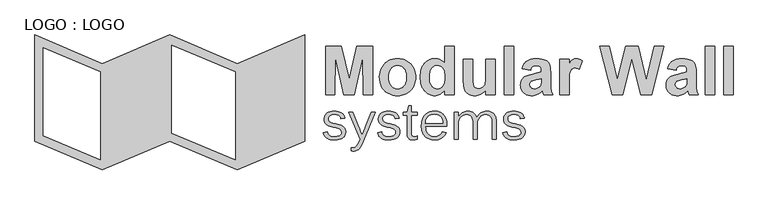
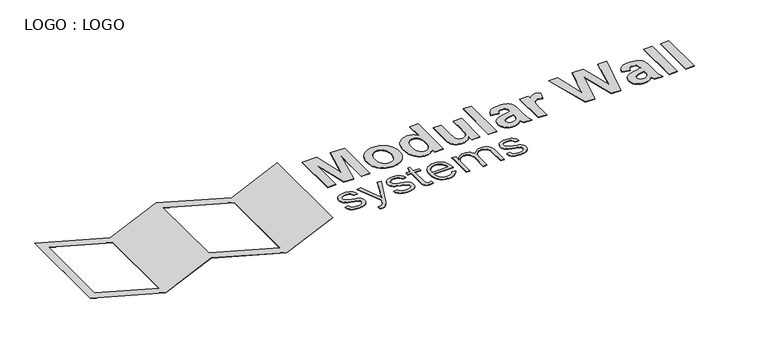
"""IFC4 building model written with IfcOpenShell, lengths in millimetres: proxy geometry, LOGO : LOGO."""

from ifc_helpers import new_model, si_unit, origin, origin_with_axes, place, context, project, spatial, polyline, outline, extrude, source, transform, mapped, element, save


def logo_logo_a6c27b1a(model_context):
    return source(origin(), model_context, "Body", "SweptSolid", [
        extrude(outline(polyline([(-10606.5366959, 2224.3330135), (-8106.5366959, 1163.145973), (-5606.5366959, 2224.3330135), (-3106.5366959, 1163.145973), (-606.5366959, 2224.3330135), (-606.5366959, -1723.1974276), (-3106.5366959, -2784.3844682), (-5606.5366959, -1723.1974276), (-8106.5366959, -2784.3844682), (-10606.5366959, -1723.1974276), (-10606.5366959, 2224.3330135)]), holes=[polyline([(-10290.7342606, 1747.20758), (-10290.7342606, -1514.1723555), (-8185.4873047, -2407.7966702), (-8185.4873047, 853.5832654), (-10290.7342606, 1747.20758)]), polyline([(-3185.4873047, -2407.7966702), (-3185.4873047, 853.5832654), (-5527.5860871, 1847.7452156), (-5527.5860871, -1413.63472), (-3185.4873047, -2407.7966702)])]), origin_with_axes(), (0.0, 0.0, 1.0), 10.0),
        extrude(outline(polyline([(10793.6666605, 0.0), (10340.5416605, 1800.0), (10692.3273748, 1800.0), (10983.3988034, 563.3928571), (11296.3452319, 1800.0), (11757.5059462, 1800.0), (12069.1130891, 542.8571429), (12360.1845176, 1800.0), (12711.9702319, 1800.0), (12265.5416605, 0.0), (11859.7380891, 0.0), (11526.2559462, 1345.5357143), (11186.0773748, 0.0), (10793.6666605, 0.0)])), origin_with_axes(), (0.0, 0.0, 1.0), 20.0),
        extrude(outline(polyline([(13169.1130891, 914.2857143), (12854.8273748, 971.4285714), (12884.361415, 1059.9330357), (12902.5289652, 1099.5814732), (12922.9635355, 1136.1607143), (12945.6651259, 1169.6707589), (12970.6337364, 1200.1116071), (12997.869367, 1227.4832589), (13027.3720176, 1251.7857143), (13059.8601594, 1273.1305804), (13096.0522632, 1291.6294643), (13135.948329, 1307.2823661), (13179.5483569, 1320.0892857), (13226.8523469, 1330.0502232), (13277.8602989, 1337.1651786), (13390.9880891, 1342.8571429), (13493.5829551, 1339.4112723), (13582.1711248, 1329.0736607), (13656.752598, 1311.844308), (13717.3273748, 1287.7232143), (13766.9367498, 1258.3147321), (13808.6220176, 1225.2232143), (13842.3831784, 1188.4486607), (13868.2202319, 1147.9910714), (13887.3608569, 1096.8331473), (13901.0327319, 1027.9575893), (13909.2358569, 941.3643973), (13911.9702319, 837.0535714), (13911.9702319, 431.6964286), (13916.4903212, 281.25), (13922.1404328, 223.1026786), (13930.0505891, 176.3392857), (13941.0578435, 134.5145089), (13955.9992498, 91.1830357), (13997.6845176, 0.0), (13654.8273748, 0.0), (13622.6845176, 108.9285714), (13610.6309462, 152.2321429), (13567.0204551, 109.9469866), (13521.9032676, 73.2700893), (13475.2793837, 42.2014509), (13427.1488034, 16.7410714), (13377.455723, -3.0831473), (13326.1443391, -17.2433036), (13273.2146516, -25.7393973), (13218.6666605, -28.5714286), (13171.0766772, -26.851981), (13126.0745846, -21.6936384), (13083.6603826, -13.0964007), (13043.8340712, -1.0602679), (13006.5956505, 14.41476), (12971.9451203, 33.328683), (12939.8824808, 55.6815011), (12910.4077319, 81.4732143), (12883.9882286, 109.8876953), (12861.0913257, 140.108817), (12841.7170232, 172.1365792), (12825.8653212, 205.9709821), (12813.5362197, 241.6120257), (12804.7297185, 279.0597098), (12799.4458179, 318.3140346), (12797.6845176, 359.375), (12800.8234685, 413.4486607), (12810.2403212, 464.5089286), (12825.9350757, 512.5558036), (12847.9077319, 557.5892857), (12875.5444507, 598.5770089), (12908.2313926, 634.4866071), (12945.9685578, 665.3180804), (12988.7559462, 691.0714286), (13039.0628659, 713.5323661), (13099.3586248, 734.4866071), (13169.643223, 753.9341518), (13249.9166605, 771.875), (13356.2503659, 794.2801339), (13444.8943391, 815.9598214), (13515.8485801, 836.9140625), (13569.1130891, 857.1428571), (13569.1130891, 893.3035714), (13566.4484685, 941.5736607), (13558.4546069, 982.3660714), (13545.1315043, 1015.6808036), (13526.4791605, 1041.5178571), (13500.4607453, 1060.8537946), (13465.0394284, 1074.6651786), (13420.2152096, 1082.9520089), (13365.9880891, 1085.7142857), (13328.236973, 1083.3426339), (13294.8943391, 1076.2276786), (13265.9601873, 1064.3694196), (13241.4345176, 1047.7678571), (13220.1733569, 1025.1953125), (13201.0327319, 995.4241071), (13184.0126426, 958.4542411), (13169.1130891, 914.2857143)]), holes=[polyline([(13569.1130891, 600.0), (13490.2068391, 578.0691964), (13375.8095176, 552.4553571), (13266.4345176, 525.1674107), (13228.8229105, 511.6489955), (13202.5952319, 498.2142857), (13175.4467944, 475.3069196), (13156.0550534, 449.4419643), (13144.4200087, 420.6194196), (13140.5416605, 388.8392857), (13143.6527096, 357.3521205), (13152.9858569, 328.0691964), (13168.5411025, 300.9905134), (13190.3184462, 276.1160714), (13216.8948971, 255.3152902), (13246.8474641, 240.4575893), (13280.1761471, 231.5429688), (13316.8809462, 228.5714286), (13359.4311694, 232.03125), (13400.9211248, 242.4107143), (13441.3508123, 259.7098214), (13480.7202319, 283.9285714), (13507.2269284, 306.0825893), (13528.7113034, 330.5803571), (13545.1733569, 357.421875), (13556.6130891, 386.6071429), (13565.9880891, 444.3080357), (13569.1130891, 537.9464286), (13569.1130891, 600.0)])]), origin_with_axes(), (0.0, 0.0, 1.0), 20.0),
        extrude(outline(polyline([(14254.8273748, 0.0), (14254.8273748, 1800.0), (14597.6845176, 1800.0), (14597.6845176, 0.0), (14254.8273748, 0.0)])), origin_with_axes(), (0.0, 0.0, 1.0), 20.0),
        extrude(outline(polyline([(14940.5416605, 0.0), (14940.5416605, 1800.0), (15283.3988034, 1800.0), (15283.3988034, 0.0), (14940.5416605, 0.0)])), origin_with_axes(), (0.0, 0.0, 1.0), 20.0),
        extrude(outline(polyline([(916.9014085, -1367.7948944), (915.1972381, -1402.1815856), (910.0847271, -1434.6330326), (901.5638754, -1465.1492353), (889.6346831, -1493.7301937), (874.4415713, -1520.3325814), (856.1289613, -1544.9130722), (834.696853, -1567.4716659), (810.1452465, -1588.0083627), (782.5752366, -1606.4220676), (752.0879181, -1622.6116857), (682.3613556, -1648.318662), (601.4277069, -1664.2627641), (509.7491197, -1669.5774648), (427.4290273, -1666.2268926), (353.3120599, -1656.1751761), (287.5137544, -1638.4980194), (230.1496479, -1612.2711268), (204.6737456, -1595.6915713), (181.3930458, -1576.4546655), (160.3075484, -1554.5604093), (141.4172535, -1530.0088028), (124.7799296, -1502.6265405), (110.4533451, -1472.2403169), (88.7323944, -1402.4559859), (236.6197183, -1373.8028169), (251.5817562, -1423.3681778), (272.4361796, -1462.9973592), (299.1829886, -1493.9612676), (331.8221831, -1517.5308099), (369.7760783, -1534.1681338), (412.4669894, -1544.3353873), (459.4327685, -1549.5345511), (510.2112676, -1551.2676056), (563.5893486, -1548.7835607), (612.8080986, -1541.3314261), (656.9432218, -1528.6801276), (695.0704225, -1510.5985915), (726.2654049, -1487.0868178), (749.6038732, -1458.1448063), (764.1615317, -1423.4259463), (769.0140845, -1382.5836268), (767.3676827, -1359.909496), (762.4284771, -1339.4883363), (754.1964679, -1321.3201474), (742.6716549, -1305.4049296), (711.765515, -1278.2537412), (671.7319542, -1255.9551056), (623.6685739, -1237.7002641), (568.6729754, -1222.6804577), (447.3591549, -1196.3380282), (327.4317782, -1160.9837148), (271.6274208, -1138.5695423), (222.0620599, -1109.6852993), (180.0643706, -1073.2911532), (146.9630282, -1028.3472711), (134.4272667, -1002.1925891), (125.4731514, -972.9472931), (120.1006822, -940.6113831), (118.3098592, -905.1848592), (119.8515556, -871.0075787), (124.476645, -838.7222161), (132.1851274, -808.3287715), (142.9770026, -779.8272447), (156.8522709, -753.2176359), (173.810932, -728.499945), (193.8529861, -705.674172), (216.9784331, -684.7403169), (243.0717361, -666.0016643), (272.0173581, -649.7614987), (303.815299, -636.0198201), (338.465559, -624.7766285), (416.3230359, -609.7857064), (505.5897887, -604.7887324), (576.2984155, -608.6014525), (642.3855634, -620.0396127), (702.7536312, -639.4498239), (756.3050176, -667.1786972), (802.4620379, -703.8039173), (840.647007, -749.903169), (856.3889195, -776.534441), (869.415713, -805.5919894), (879.7273878, -837.0758143), (887.3239437, -870.9859155), (739.4366197, -887.6232394), (728.171765, -844.0080326), (710.0902289, -808.3648768), (685.9430018, -779.9427817), (656.4810739, -757.990757), (622.6865097, -741.931118), (585.5413732, -731.1861796), (545.7966549, -725.1204886), (504.2033451, -723.0985915), (448.5145246, -725.9003631), (400.2200704, -734.3056778), (359.3199824, -748.3145357), (325.8142606, -767.9269366), (299.7317892, -792.2763534), (281.1014525, -820.4962588), (269.9232504, -852.5866527), (266.1971831, -888.5475352), (271.6274208, -930.371919), (278.4152179, -948.3379181), (287.9181338, -964.3397887), (313.6828785, -991.837588), (347.5352113, -1014.2517606), (389.4173636, -1032.7376761), (439.2715669, -1048.4507042), (557.8125, -1078.028169), (686.7517606, -1112.2271127), (747.8130502, -1134.3524428), (802.5198063, -1162.8323063), (827.0280865, -1179.7584727), (849.0234375, -1198.8798415), (868.5058594, -1220.1964129), (885.4753521, -1243.7081866), (899.2242518, -1269.9206371), (909.0448944, -1299.3392386), (914.9372799, -1331.963991), (916.9014085, -1367.7948944)])), origin_with_axes(), (0.0, 0.0, 1.0), 20.0),
        extrude(outline(polyline([(1567.6056338, -1715.3301056), (1530.5760343, -1803.4270467), (1494.3551937, -1879.1615317), (1457.7877421, -1942.5913292), (1419.7183099, -1993.7742077), (1379.5692121, -2033.1723151), (1336.7627641, -2061.2477993), (1290.7212808, -2078.0584287), (1240.8670775, -2083.6619718), (1176.7440581, -2081.3512324), (1123.943662, -2074.4190141), (1123.943662, -1957.0334507), (1161.3776408, -1963.0413732), (1198.8116197, -1965.3521127), (1234.7580601, -1960.8028444), (1268.1915713, -1947.1550396), (1299.1121534, -1924.4086983), (1327.5198063, -1892.5638204), (1354.4543629, -1852.3136279), (1380.9556558, -1804.3513424), (1407.0236851, -1748.6769641), (1432.6584507, -1685.290493), (1449.2957746, -1636.3028169), (1035.2112676, -634.3661972), (1183.0985915, -634.3661972), (1402.618838, -1195.8758803), (1413.9414613, -1221.9872359), (1436.3556338, -1279.5246479), (1465.4709507, -1351.6197183), (1493.6619718, -1425.1012324), (1515.3829225, -1481.9454225), (1525.5501761, -1509.6742958), (1534.7931338, -1482.6386444), (1556.0519366, -1426.4876761), (1584.7051056, -1355.3169014), (1612.8961268, -1284.1461268), (1634.6170775, -1227.5330106), (1644.3221831, -1200.4973592), (1863.3802817, -634.3661972), (2011.2676056, -634.3661972), (1567.6056338, -1715.3301056)])), origin_with_axes(), (0.0, 0.0, 1.0), 20.0),
        extrude(outline(polyline([(2928.1690141, -1367.7948944), (2926.4648438, -1402.1815856), (2921.3523327, -1434.6330326), (2912.8314811, -1465.1492353), (2900.9022887, -1493.7301937), (2885.7091769, -1520.3325814), (2867.3965669, -1544.9130722), (2845.9644586, -1567.4716659), (2821.4128521, -1588.0083627), (2793.8428422, -1606.4220676), (2763.3555238, -1622.6116857), (2693.6289613, -1648.318662), (2612.6953125, -1664.2627641), (2521.0167254, -1669.5774648), (2438.6966329, -1666.2268926), (2364.5796655, -1656.1751761), (2298.78136, -1638.4980194), (2241.4172535, -1612.2711268), (2215.9413512, -1595.6915713), (2192.6606514, -1576.4546655), (2171.575154, -1554.5604093), (2152.6848592, -1530.0088028), (2136.0475352, -1502.6265405), (2121.7209507, -1472.2403169), (2100.0, -1402.4559859), (2247.8873239, -1373.8028169), (2262.8493618, -1423.3681778), (2283.7037852, -1462.9973592), (2310.4505942, -1493.9612676), (2343.0897887, -1517.5308099), (2381.043684, -1534.1681338), (2423.7345951, -1544.3353873), (2470.7003741, -1549.5345511), (2521.4788732, -1551.2676056), (2574.8569542, -1548.7835607), (2624.0757042, -1541.3314261), (2668.2108275, -1528.6801276), (2706.3380282, -1510.5985915), (2737.5330106, -1487.0868178), (2760.8714789, -1458.1448063), (2775.4291373, -1423.4259463), (2780.2816901, -1382.5836268), (2778.6352883, -1359.909496), (2773.6960827, -1339.4883363), (2765.4640735, -1321.3201474), (2753.9392606, -1305.4049296), (2723.0331206, -1278.2537412), (2682.9995599, -1255.9551056), (2634.9361796, -1237.7002641), (2579.940581, -1222.6804577), (2458.6267606, -1196.3380282), (2338.6993838, -1160.9837148), (2282.8950264, -1138.5695423), (2233.3296655, -1109.6852993), (2191.3319762, -1073.2911532), (2158.2306338, -1028.3472711), (2145.6948724, -1002.1925891), (2136.740757, -972.9472931), (2131.3682879, -940.6113831), (2129.5774648, -905.1848592), (2131.1191613, -871.0075787), (2135.7442507, -838.7222161), (2143.452733, -808.3287715), (2154.2446083, -779.8272447), (2168.1198765, -753.2176359), (2185.0785376, -728.499945), (2205.1205917, -705.674172), (2228.2460387, -684.7403169), (2254.3393417, -666.0016643), (2283.2849637, -649.7614987), (2315.0829047, -636.0198201), (2349.7331646, -624.7766285), (2427.5906415, -609.7857064), (2516.8573944, -604.7887324), (2587.5660211, -608.6014525), (2653.653169, -620.0396127), (2714.0212368, -639.4498239), (2767.5726232, -667.1786972), (2813.7296435, -703.8039173), (2851.9146127, -749.903169), (2867.6565251, -776.534441), (2880.6833187, -805.5919894), (2890.9949934, -837.0758143), (2898.5915493, -870.9859155), (2750.7042254, -887.6232394), (2739.4393706, -844.0080326), (2721.3578345, -808.3648768), (2697.2106074, -779.9427817), (2667.7486796, -757.990757), (2633.9541153, -741.931118), (2596.8089789, -731.1861796), (2557.0642606, -725.1204886), (2515.4709507, -723.0985915), (2459.7821303, -725.9003631), (2411.4876761, -734.3056778), (2370.587588, -748.3145357), (2337.0818662, -767.9269366), (2310.9993948, -792.2763534), (2292.3690581, -820.4962588), (2281.1908561, -852.5866527), (2277.4647887, -888.5475352), (2282.8950264, -930.371919), (2289.6828235, -948.3379181), (2299.1857394, -964.3397887), (2324.9504842, -991.837588), (2358.8028169, -1014.2517606), (2400.6849692, -1032.7376761), (2450.5391725, -1048.4507042), (2569.0801056, -1078.028169), (2698.0193662, -1112.2271127), (2759.0806558, -1134.3524428), (2813.787412, -1162.8323063), (2838.2956921, -1179.7584727), (2860.2910431, -1198.8798415), (2879.773465, -1220.1964129), (2896.7429577, -1243.7081866), (2910.4918574, -1269.9206371), (2920.3125, -1299.3392386), (2926.2048856, -1331.963991), (2928.1690141, -1367.7948944)])), origin_with_axes(), (0.0, 0.0, 1.0), 20.0),
        extrude(outline(polyline([(3408.8028169, -1669.5774648), (3359.1074769, -1665.9958187), (3315.8533231, -1655.2508803), (3279.0403554, -1637.3426496), (3248.6685739, -1612.2711268), (3224.9112841, -1579.8341219), (3207.9417914, -1539.8294454), (3197.7600957, -1492.2570973), (3194.3661972, -1437.1170775), (3194.3661972, -752.6760563), (3046.4788732, -752.6760563), (3046.4788732, -634.3661972), (3194.3661972, -634.3661972), (3253.5211268, -397.7464789), (3342.2535211, -397.7464789), (3342.2535211, -634.3661972), (3578.8732394, -634.3661972), (3578.8732394, -752.6760563), (3342.2535211, -752.6760563), (3342.2535211, -1403.3802817), (3344.2032075, -1438.9801111), (3350.0522667, -1469.5251981), (3359.8006987, -1495.0155425), (3373.4485035, -1515.4511444), (3390.9379126, -1531.1208462), (3412.2111576, -1542.3134903), (3437.2682383, -1549.0290768), (3466.1091549, -1551.2676056), (3492.7404269, -1549.3034771), (3521.7979754, -1543.4110915), (3551.2021347, -1534.0525968), (3578.8732394, -1521.6901408), (3578.8732394, -1642.7728873), (3497.3041373, -1661.9520246), (3453.8044674, -1667.6711048), (3408.8028169, -1669.5774648)])), origin_with_axes(), (0.0, 0.0, 1.0), 20.0),
        extrude(outline(polyline([(3874.6478873, -1166.7605634), (3879.5004401, -1245.4412412), (3894.0580986, -1318.8072183), (3905.0774373, -1352.9195092), (3918.7252421, -1384.5477553), (3935.001513, -1413.6919564), (3953.90625, -1440.3521127), (3975.4972216, -1464.4704555), (3999.8321963, -1485.9892165), (4026.9111741, -1504.9083957), (4056.7341549, -1521.227993), (4089.431118, -1534.3703235), (4125.1320423, -1543.7577025), (4163.8369278, -1549.3901298), (4205.5457746, -1551.2676056), (4258.375055, -1548.2492022), (4306.8716989, -1539.1939921), (4351.0357064, -1524.1019751), (4390.8670775, -1502.9731514), (4425.6725902, -1476.7895852), (4454.7590229, -1446.5333407), (4478.1263754, -1412.2044179), (4495.7746479, -1373.8028169), (4643.6619718, -1396.4480634), (4623.7318442, -1440.8142606), (4596.2918134, -1487.9533451), (4560.0709727, -1534.2259023), (4513.7984155, -1575.9925176), (4456.6653829, -1612.3866637), (4387.8631162, -1642.5418134), (4348.6238721, -1654.3699109), (4305.5430238, -1662.8185519), (4258.6205711, -1667.8877366), (4207.8565141, -1669.5774648), (4154.1607064, -1667.4111466), (4103.0644806, -1660.9121919), (4054.5678367, -1650.0806008), (4008.6707746, -1634.9163732), (3965.7632317, -1615.4628356), (3926.2351452, -1591.7633143), (3890.0865152, -1563.8178092), (3857.3173415, -1531.6263204), (3827.9853928, -1495.318827), (3802.1484375, -1455.0253081), (3779.8064756, -1410.7457636), (3760.959507, -1362.4801937), (3745.9974692, -1310.214156), (3735.3102993, -1253.9332086), (3728.8979974, -1193.6373515), (3726.7605634, -1129.3265845), (3729.3745874, -1058.7479368), (3737.2166593, -993.975022), (3750.2867793, -935.00784), (3768.5849472, -881.8463908), (3791.1579831, -833.9996424), (3817.0527069, -790.9765625), (3846.2691186, -752.7771512), (3878.8072183, -719.4014085), (3914.1759738, -690.6615867), (3951.884353, -666.3699384), (3991.9323559, -646.5264635), (4034.3199824, -631.131162), (4078.0362841, -619.606349), (4122.0703125, -611.3743398), (4166.4220676, -606.4351342), (4211.0915493, -604.7887324), (4269.1488776, -607.2294509), (4323.162412, -614.5516065), (4373.1321523, -626.7551992), (4419.0580986, -643.8402289), (4460.9835772, -665.373432), (4498.9519146, -690.9215449), (4532.9631107, -720.4845676), (4563.0171655, -754.0625), (4589.2729423, -791.2509628), (4611.8893046, -831.6455766), (4630.8662522, -875.2463413), (4646.2037852, -922.053257), (4658.0318827, -971.6908286), (4666.4805238, -1023.7835607), (4671.5497084, -1078.3314536), (4673.2394366, -1135.334507), (4673.2394366, -1166.7605634), (3874.6478873, -1166.7605634)]), holes=[polyline([(4206.9322183, -723.0985915), (4145.1777069, -727.4889965), (4085.6183979, -740.6602113), (4030.4494938, -763.5365317), (3981.8661972, -797.0422535), (3960.2318992, -817.8966769), (3940.6194982, -841.6395246), (3923.0289943, -868.2707967), (3907.4603873, -897.790493), (3894.4913622, -930.4296875), (3884.6996039, -966.4194542), (3878.0851122, -1005.7597931), (3874.6478873, -1048.4507042), (4525.3521127, -1048.4507042), (4515.9358495, -976.9333187), (4498.7786092, -913.0413732), (4473.3027069, -857.4680898), (4438.9304577, -810.9066901), (4418.3648768, -791.0776574), (4395.4885563, -773.6460167), (4370.3014965, -758.6117683), (4342.8036972, -745.974912), (4312.821853, -735.9665218), (4280.1826585, -728.8176717), (4206.9322183, -723.0985915)])]), origin_with_axes(), (0.0, 0.0, 1.0), 20.0),
        extrude(outline(polyline([(6359.1549296, -1640.0), (6359.1549296, -1052.1478873), (6355.8621259, -983.9810739), (6345.9837148, -920.8978873), (6328.3643266, -864.4003081), (6301.8485915, -815.9903169), (6285.2257097, -795.0636829), (6266.3209727, -776.649978), (6245.1343805, -760.7492022), (6221.6659331, -747.3613556), (6195.5112511, -736.7463963), (6166.2659551, -729.1642826), (6133.9300451, -724.6150143), (6098.5035211, -723.0985915), (6066.9330436, -724.7594355), (6036.4601673, -729.7419674), (6007.0848922, -738.0461873), (5978.8072183, -749.6720951), (5951.9881987, -764.287522), (5926.9888864, -781.5602993), (5903.8092815, -801.4904269), (5882.4493838, -824.0779049), (5846.2285431, -876.0117738), (5819.3661972, -936.1487676), (5802.7288732, -1002.9291373), (5797.1830986, -1074.7931338), (5797.1830986, -1640.0), (5649.2957746, -1640.0), (5649.2957746, -1052.1478873), (5646.002971, -983.9810739), (5636.1245599, -920.8978873), (5618.4474032, -864.4003081), (5591.7583627, -815.9903169), (5575.034386, -795.0636829), (5556.0574384, -776.649978), (5534.8275198, -760.7492022), (5511.3446303, -747.3613556), (5485.1899483, -736.7463963), (5455.9446523, -729.1642826), (5423.6087423, -724.6150143), (5388.1822183, -723.0985915), (5356.6117408, -724.8316461), (5326.1388644, -730.0308099), (5296.7635893, -738.6960827), (5268.4859155, -750.8274648), (5216.7253521, -783.5244278), (5172.3591549, -826.1575704), (5136.3116197, -878.0336708), (5109.5070423, -938.459507), (5092.8697183, -1005.5864877), (5087.3239437, -1077.5660211), (5087.3239437, -1640.0), (4939.4366197, -1640.0), (4939.4366197, -859.8943662), (4938.9744718, -789.4168134), (4937.5880282, -719.4014085), (4936.2015845, -663.4815141), (4935.7394366, -634.3661972), (5085.0132042, -634.3661972), (5087.3239437, -663.4815141), (5089.6346831, -722.1742958), (5092.4075704, -787.1060739), (5093.7940141, -836.7869718), (5097.4911972, -836.7869718), (5128.5417584, -781.6613941), (5163.0006602, -734.1323724), (5200.8679027, -694.1999065), (5242.1434859, -661.8639965), (5287.3762104, -636.8935684), (5337.1148768, -619.0575484), (5391.359485, -608.3559364), (5450.1100352, -604.7887324), (5516.6015625, -609.3524428), (5574.6588908, -623.0435739), (5624.9752421, -644.8800616), (5668.243838, -673.8798415), (5704.6379842, -709.5229974), (5734.3309859, -751.2896127), (5757.4383803, -798.4286972), (5774.0757042, -850.1892606), (5777.7728873, -850.1892606), (5810.065471, -794.2693662), (5846.4018486, -745.2816901), (5886.7820202, -703.2262324), (5931.2059859, -668.102993), (5979.8470511, -640.403004), (6032.8785211, -620.6172975), (6090.3003961, -608.7458737), (6152.1126761, -604.7887324), (6199.8294454, -606.8106294), (6243.6179577, -612.8763204), (6283.478213, -622.9858055), (6319.4102113, -637.1390845), (6351.7461213, -654.7729148), (6380.8181118, -675.3240537), (6406.6261829, -698.7925011), (6429.1703345, -725.178257), (6448.5949879, -754.1924791), (6465.0445643, -785.5463248), (6478.5190636, -819.2397942), (6489.0184859, -855.2728873), (6502.5363116, -931.8738996), (6507.0422535, -1012.8653169), (6507.0422535, -1640.0), (6359.1549296, -1640.0)])), origin_with_axes(), (0.0, 0.0, 1.0), 20.0),
        extrude(outline(polyline([(7571.8309859, -1367.7948944), (7570.1268156, -1402.1815856), (7565.0143046, -1434.6330326), (7556.4934529, -1465.1492353), (7544.5642606, -1493.7301937), (7529.3711488, -1520.3325814), (7511.0585387, -1544.9130722), (7489.6264305, -1567.4716659), (7465.0748239, -1588.0083627), (7437.504814, -1606.4220676), (7407.0174956, -1622.6116857), (7337.2909331, -1648.318662), (7256.3572843, -1664.2627641), (7164.6786972, -1669.5774648), (7082.3586048, -1666.2268926), (7008.2416373, -1656.1751761), (6942.4433319, -1638.4980194), (6885.0792254, -1612.2711268), (6859.6033231, -1595.6915713), (6836.3226232, -1576.4546655), (6815.2371259, -1554.5604093), (6796.346831, -1530.0088028), (6779.709507, -1502.6265405), (6765.3829225, -1472.2403169), (6743.6619718, -1402.4559859), (6891.5492958, -1373.8028169), (6906.5113336, -1423.3681778), (6927.365757, -1462.9973592), (6954.112566, -1493.9612676), (6986.7517606, -1517.5308099), (7024.7056558, -1534.1681338), (7067.3965669, -1544.3353873), (7114.362346, -1549.5345511), (7165.1408451, -1551.2676056), (7218.5189261, -1548.7835607), (7267.7376761, -1541.3314261), (7311.8727993, -1528.6801276), (7350.0, -1510.5985915), (7381.1949824, -1487.0868178), (7404.5334507, -1458.1448063), (7419.0911092, -1423.4259463), (7423.943662, -1382.5836268), (7422.2972601, -1359.909496), (7417.3580546, -1339.4883363), (7409.1260453, -1321.3201474), (7397.6012324, -1305.4049296), (7366.6950924, -1278.2537412), (7326.6615317, -1255.9551056), (7278.5981514, -1237.7002641), (7223.6025528, -1222.6804577), (7102.2887324, -1196.3380282), (6982.3613556, -1160.9837148), (6926.5569982, -1138.5695423), (6876.9916373, -1109.6852993), (6834.9939481, -1073.2911532), (6801.8926056, -1028.3472711), (6789.3568442, -1002.1925891), (6780.4027289, -972.9472931), (6775.0302597, -940.6113831), (6773.2394366, -905.1848592), (6774.7811331, -871.0075787), (6779.4062225, -838.7222161), (6787.1147048, -808.3287715), (6797.9065801, -779.8272447), (6811.7818483, -753.2176359), (6828.7405095, -728.499945), (6848.7825635, -705.674172), (6871.9080106, -684.7403169), (6898.0013135, -666.0016643), (6926.9469355, -649.7614987), (6958.7448765, -636.0198201), (6993.3951364, -624.7766285), (7071.2526133, -609.7857064), (7160.5193662, -604.7887324), (7231.227993, -608.6014525), (7297.3151408, -620.0396127), (7357.6832086, -639.4498239), (7411.2345951, -667.1786972), (7457.3916153, -703.8039173), (7495.5765845, -749.903169), (7511.3184969, -776.534441), (7524.3452905, -805.5919894), (7534.6569652, -837.0758143), (7542.2535211, -870.9859155), (7394.3661972, -887.6232394), (7383.1013424, -844.0080326), (7365.0198063, -808.3648768), (7340.8725792, -779.9427817), (7311.4106514, -757.990757), (7277.6160871, -741.931118), (7240.4709507, -731.1861796), (7200.7262324, -725.1204886), (7159.1329225, -723.0985915), (7103.4441021, -725.9003631), (7055.1496479, -734.3056778), (7014.2495599, -748.3145357), (6980.743838, -767.9269366), (6954.6613666, -792.2763534), (6936.0310299, -820.4962588), (6924.8528279, -852.5866527), (6921.1267606, -888.5475352), (6926.5569982, -930.371919), (6933.3447953, -948.3379181), (6942.8477113, -964.3397887), (6968.612456, -991.837588), (7002.4647887, -1014.2517606), (7044.346941, -1032.7376761), (7094.2011444, -1048.4507042), (7212.7420775, -1078.028169), (7341.681338, -1112.2271127), (7402.7426276, -1134.3524428), (7457.4493838, -1162.8323063), (7481.957664, -1179.7584727), (7503.953015, -1198.8798415), (7523.4354368, -1220.1964129), (7540.4049296, -1243.7081866), (7554.1538292, -1269.9206371), (7563.9744718, -1299.3392386), (7569.8668574, -1331.963991), (7571.8309859, -1367.7948944)])), origin_with_axes(), (0.0, 0.0, 1.0), 20.0),
        extrude(outline(polyline([(171.4285714, 0.0), (171.4285714, 1800.0), (758.9285714, 1800.0), (1042.8571429, 572.3214286), (1326.7857143, 1800.0), (1914.2857143, 1800.0), (1914.2857143, 0.0), (1571.4285714, 0.0), (1557.1428571, 1416.9642857), (1243.75, 0.0), (842.4107143, 0.0), (528.5714286, 1416.9642857), (514.2857143, 0.0), (171.4285714, 0.0)])), origin_with_axes(), (0.0, 0.0, 1.0), 20.0),
        extrude(outline(polyline([(2171.4285714, 675.8928571), (2176.7159598, 761.593192), (2192.578125, 845.9263393), (2219.015067, 928.8922991), (2256.0267857, 1010.4910714), (2302.7204241, 1086.6210938), (2329.3631417, 1121.0972377), (2358.203125, 1153.1808036), (2389.2403739, 1182.8717913), (2422.4748884, 1210.1702009), (2457.9066685, 1235.0760324), (2495.5357143, 1257.5892857), (2575.2511161, 1294.8939732), (2659.4866071, 1321.5401786), (2748.2421875, 1337.5279018), (2841.5178571, 1342.8571429), (2913.7311663, 1339.8367746), (2982.6032366, 1330.7756696), (3048.1340681, 1315.6738281), (3110.3236607, 1294.53125), (3169.1720145, 1267.3479353), (3224.6791295, 1234.1238839), (3276.8450056, 1194.859096), (3325.6696429, 1149.5535714), (3369.8765346, 1099.6303013), (3408.1891741, 1046.5122768), (3440.6075614, 990.1994978), (3467.1316964, 930.6919643), (3487.7615792, 867.9896763), (3502.4972098, 802.0926339), (3511.3385882, 733.0008371), (3514.2857143, 660.7142857), (3511.3071987, 587.8662109), (3502.3716518, 518.2059152), (3487.4790737, 451.7333984), (3466.6294643, 388.4486607), (3439.8228237, 328.351702), (3407.0591518, 271.4425223), (3368.3384487, 217.7211217), (3323.6607143, 167.1875), (3274.4698661, 121.3065011), (3222.2098214, 81.5429688), (3166.8805804, 47.8969029), (3108.4821429, 20.3683036), (3047.0145089, -1.0428292), (2982.4776786, -16.3364955), (2914.8716518, -25.5126953), (2844.1964286, -28.5714286), (2755.733817, -23.4793527), (2669.3638393, -8.203125), (2585.0864955, 17.2572545), (2502.9017857, 52.9017857), (2463.546317, 74.4594029), (2426.6183036, 98.3956473), (2392.1177455, 124.710519), (2360.0446429, 153.4040179), (2330.3989955, 184.476144), (2303.1808036, 217.9268973), (2278.390067, 253.7562779), (2256.0267857, 291.9642857), (2236.1990792, 332.4358259), (2219.015067, 375.0558036), (2192.578125, 466.7410714), (2176.7159598, 567.0200893), (2171.4285714, 675.8928571)]), holes=[polyline([(2514.2857143, 657.1428571), (2520.2148438, 559.4168527), (2527.6262556, 515.1053292), (2538.0022321, 473.828125), (2551.3427734, 435.58524), (2567.6478795, 400.3766741), (2586.9175502, 368.2024275), (2609.1517857, 339.0625), (2633.5623605, 313.1661551), (2659.3610491, 290.7226562), (2686.5478516, 271.7320033), (2715.1227679, 256.1941964), (2745.085798, 244.1092355), (2776.436942, 235.4771205), (2809.1761998, 230.2978516), (2843.3035714, 228.5714286), (2877.4239676, 230.2978516), (2910.1422991, 235.4771205), (2941.4585658, 244.1092355), (2971.3727679, 256.1941964), (2999.8849051, 271.7320033), (3026.9949777, 290.7226563), (3052.7029855, 313.1661551), (3077.0089286, 339.0625), (3099.1385324, 368.2442801), (3118.3175223, 400.5440848), (3134.5458984, 435.9619141), (3147.8236607, 474.4977679), (3158.1508092, 516.1516462), (3165.5273438, 560.9235491), (3171.4285714, 659.8214286), (3165.5273438, 756.375558), (3158.1508092, 800.226702), (3147.8236607, 841.1272321), (3134.5458984, 879.0771484), (3118.3175223, 914.0764509), (3099.1385324, 946.1251395), (3077.0089286, 975.2232143), (3052.7029855, 1001.1195592), (3026.9949777, 1023.563058), (2999.8849051, 1042.5537109), (2971.3727679, 1058.0915179), (2941.4585658, 1070.1764788), (2910.1422991, 1078.8085938), (2877.4239676, 1083.9878627), (2843.3035714, 1085.7142857), (2809.1761998, 1083.9878627), (2776.436942, 1078.8085938), (2745.085798, 1070.1764788), (2715.1227679, 1058.0915179), (2686.5478516, 1042.5537109), (2659.3610491, 1023.563058), (2633.5623605, 1001.1195592), (2609.1517857, 975.2232143), (2586.9175502, 946.0832868), (2567.6478795, 913.9090402), (2551.3427734, 878.7004743), (2538.0022321, 840.4575893), (2527.6262556, 799.180385), (2520.2148438, 754.8688616), (2514.2857143, 657.1428571)])]), origin_with_axes(), (0.0, 0.0, 1.0), 20.0),
        extrude(outline(polyline([(4942.8571429, 0.0), (4600.0, 0.0), (4600.0, 189.2857143), (4559.891183, 137.6813616), (4516.3504464, 93.1361607), (4469.3777902, 55.6501116), (4418.9732143, 25.2232143), (4366.7550223, 1.688058), (4314.3415179, -15.1227679), (4261.7327009, -25.2092634), (4208.9285714, -28.5714286), (4155.9884208, -25.7254464), (4104.9804688, -17.1875), (4055.9047154, -2.9575893), (4008.7611607, 16.9642857), (3963.5498047, 42.578125), (3920.2706473, 73.8839286), (3878.9236886, 110.8816964), (3839.5089286, 153.5714286), (3803.4633092, 201.3602121), (3772.2237723, 253.6551339), (3745.7903181, 310.4561942), (3724.1629464, 371.7633929), (3707.3416574, 437.5767299), (3695.3264509, 507.8962054), (3688.117327, 582.7218192), (3685.7142857, 662.0535714), (3688.1138393, 742.9268973), (3695.3125, 818.8058036), (3707.3102679, 889.6902902), (3724.1071429, 955.5803571), (3745.703125, 1016.4760045), (3772.0982143, 1072.3772321), (3803.2924107, 1123.2840402), (3839.2857143, 1169.1964286), (3878.9481027, 1209.8981585), (3921.1495536, 1245.1729911), (3965.890067, 1275.0209263), (4013.1696429, 1299.4419643), (4062.9882812, 1318.4361049), (4115.3459821, 1332.0033482), (4170.2427455, 1340.1436942), (4227.6785714, 1342.8571429), (4280.5664062, 1340.0460379), (4331.640625, 1331.6127232), (4380.9012277, 1317.5571987), (4428.3482143, 1297.8794643), (4473.9815848, 1272.5795201), (4517.8013393, 1241.6573661), (4559.8074777, 1205.1130022), (4600.0, 1162.9464286), (4600.0, 1800.0), (4942.8571429, 1800.0), (4942.8571429, 0.0)]), holes=[polyline([(4028.5714286, 682.1428571), (4032.1428571, 581.3616071), (4042.8571429, 495.5357143), (4060.7142857, 424.6651786), (4085.7142857, 368.75), (4107.3869978, 335.8956473), (4131.1104911, 307.421875), (4156.8847656, 283.328683), (4184.7098214, 263.6160714), (4214.5856585, 248.2840402), (4246.5122768, 237.3325893), (4280.4896763, 230.7617188), (4316.5178571, 228.5714286), (4345.5357143, 230.2141462), (4373.4375, 235.1422991), (4400.2232143, 243.3558873), (4425.8928571, 254.8549107), (4450.4464286, 269.6393694), (4473.8839286, 287.7092634), (4517.4107143, 333.7053571), (4536.7675781, 361.6106306), (4553.5435268, 392.7594866), (4567.7385603, 427.1519252), (4579.3526786, 464.7879464), (4594.8381696, 549.7907366), (4600.0, 647.7678571), (4594.9916295, 756.124442), (4579.9665179, 848.1584821), (4568.6976842, 888.054548), (4554.9246652, 923.8699777), (4538.6474609, 955.6047712), (4519.8660714, 983.2589286), (4499.1245815, 1007.2719029), (4476.9670759, 1028.0831473), (4453.3935547, 1045.6926618), (4428.4040179, 1060.1004464), (4401.9984654, 1071.3065011), (4374.1768973, 1079.3108259), (4344.9393136, 1084.1134208), (4314.2857143, 1085.7142857), (4284.5424107, 1084.1308594), (4256.0267857, 1079.3805804), (4228.7388393, 1071.4634487), (4202.6785714, 1060.3794643), (4177.8459821, 1046.1286272), (4154.2410714, 1028.7109375), (4110.7142857, 984.375), (4091.4620536, 957.484654), (4074.7767857, 927.4832589), (4060.6584821, 894.3708147), (4049.1071429, 858.1473214), (4033.7053571, 776.3671875), (4028.5714286, 682.1428571)])]), origin_with_axes(), (0.0, 0.0, 1.0), 20.0),
        extrude(outline(polyline([(6114.2857143, 0.0), (6114.2857143, 192.8571429), (6077.469308, 144.0429688), (6035.3236607, 100.7254464), (5987.8487723, 62.9045759), (5935.0446429, 30.5803571), (5878.780692, 4.7014509), (5820.9263393, -13.7834821), (5761.4815848, -24.874442), (5700.4464286, -28.5714286), (5639.3136161, -24.9441964), (5581.3616071, -14.0625), (5526.5904018, 4.0736607), (5475.0, 29.4642857), (5428.4598214, 61.4257812), (5388.8392857, 99.2745536), (5356.1383929, 143.0106027), (5330.3571429, 192.6339286), (5310.8258929, 250.2371652), (5296.875, 317.9129464), (5288.5044643, 395.6612723), (5285.7142857, 483.4821429), (5285.7142857, 1314.2857143), (5628.5714286, 1314.2857143), (5628.5714286, 706.6964286), (5633.203125, 481.7522321), (5638.9927455, 409.8353795), (5647.0982143, 364.9553571), (5658.2868304, 335.2120536), (5673.3258929, 308.7053571), (5692.2154018, 285.4352679), (5714.9553571, 265.4017857), (5741.280692, 249.2885045), (5770.9263393, 237.7790179), (5803.8922991, 230.8733259), (5840.1785714, 228.5714286), (5882.3521205, 231.640625), (5922.265625, 240.8482143), (5959.9190848, 256.1941964), (5995.3125, 277.6785714), (6026.8694196, 303.7248884), (6053.0133929, 332.7566964), (6073.7444196, 364.7739955), (6089.0625, 399.7767857), (6100.0976562, 449.4559152), (6107.9799107, 525.5022321), (6112.7092634, 627.9157366), (6114.2857143, 756.6964286), (6114.2857143, 1314.2857143), (6457.1428571, 1314.2857143), (6457.1428571, 0.0), (6114.2857143, 0.0)])), origin_with_axes(), (0.0, 0.0, 1.0), 20.0),
        extrude(outline(polyline([(6800.0, 0.0), (6800.0, 1800.0), (7142.8571429, 1800.0), (7142.8571429, 0.0), (6800.0, 0.0)])), origin_with_axes(), (0.0, 0.0, 1.0), 20.0),
        extrude(outline(polyline([(7771.4285714, 914.2857143), (7457.1428571, 971.4285714), (7486.6768973, 1059.9330357), (7504.8444475, 1099.5814732), (7525.2790179, 1136.1607143), (7547.9806083, 1169.6707589), (7572.9492188, 1200.1116071), (7600.1848493, 1227.4832589), (7629.6875, 1251.7857143), (7662.1756417, 1273.1305804), (7698.3677455, 1291.6294643), (7738.2638114, 1307.2823661), (7781.8638393, 1320.0892857), (7829.1678292, 1330.0502232), (7880.1757813, 1337.1651786), (7993.3035714, 1342.8571429), (8095.8984375, 1339.4112723), (8184.4866071, 1329.0736607), (8259.0680804, 1311.844308), (8319.6428571, 1287.7232143), (8369.2522321, 1258.3147321), (8410.9375, 1225.2232143), (8444.6986607, 1188.4486607), (8470.5357143, 1147.9910714), (8489.6763393, 1096.8331473), (8503.3482143, 1027.9575893), (8511.5513393, 941.3643973), (8514.2857143, 837.0535714), (8514.2857143, 431.6964286), (8518.8058036, 281.25), (8524.4559152, 223.1026786), (8532.3660714, 176.3392857), (8543.3733259, 134.5145089), (8558.3147321, 91.1830357), (8600.0, 0.0), (8257.1428571, 0.0), (8225.0, 108.9285714), (8212.9464286, 152.2321429), (8169.3359375, 109.9469866), (8124.21875, 73.2700893), (8077.5948661, 42.2014509), (8029.4642857, 16.7410714), (7979.7712054, -3.0831473), (7928.4598214, -17.2433036), (7875.5301339, -25.7393973), (7820.9821429, -28.5714286), (7773.3921596, -26.851981), (7728.390067, -21.6936384), (7685.975865, -13.0964007), (7646.1495536, -1.0602679), (7608.9111328, 14.41476), (7574.2606027, 33.328683), (7542.1979632, 55.6815011), (7512.7232143, 81.4732143), (7486.3037109, 109.8876953), (7463.406808, 140.108817), (7444.0325056, 172.1365792), (7428.1808036, 205.9709821), (7415.851702, 241.6120257), (7407.0452009, 279.0597098), (7401.7613002, 318.3140346), (7400.0, 359.375), (7403.1389509, 413.4486607), (7412.5558036, 464.5089286), (7428.250558, 512.5558036), (7450.2232143, 557.5892857), (7477.859933, 598.5770089), (7510.546875, 634.4866071), (7548.2840402, 665.3180804), (7591.0714286, 691.0714286), (7641.3783482, 713.5323661), (7701.6741071, 734.4866071), (7771.9587054, 753.9341518), (7852.2321429, 771.875), (7958.5658482, 794.2801339), (8047.2098214, 815.9598214), (8118.1640625, 836.9140625), (8171.4285714, 857.1428571), (8171.4285714, 893.3035714), (8168.7639509, 941.5736607), (8160.7700893, 982.3660714), (8147.4469866, 1015.6808036), (8128.7946429, 1041.5178571), (8102.7762277, 1060.8537946), (8067.3549107, 1074.6651786), (8022.530692, 1082.9520089), (7968.3035714, 1085.7142857), (7930.5524554, 1083.3426339), (7897.2098214, 1076.2276786), (7868.2756696, 1064.3694196), (7843.75, 1047.7678571), (7822.4888393, 1025.1953125), (7803.3482143, 995.4241071), (7786.328125, 958.4542411), (7771.4285714, 914.2857143)]), holes=[polyline([(8171.4285714, 600.0), (8092.5223214, 578.0691964), (7978.125, 552.4553571), (7868.75, 525.1674107), (7831.1383929, 511.6489955), (7804.9107143, 498.2142857), (7777.7622768, 475.3069196), (7758.3705357, 449.4419643), (7746.7354911, 420.6194196), (7742.8571429, 388.8392857), (7745.968192, 357.3521205), (7755.3013393, 328.0691964), (7770.8565848, 300.9905134), (7792.6339286, 276.1160714), (7819.2103795, 255.3152902), (7849.1629464, 240.4575893), (7882.4916295, 231.5429688), (7919.1964286, 228.5714286), (7961.7466518, 232.03125), (8003.2366071, 242.4107143), (8043.6662946, 259.7098214), (8083.0357143, 283.9285714), (8109.5424107, 306.0825893), (8131.0267857, 330.5803571), (8147.4888393, 357.421875), (8158.9285714, 386.6071429), (8168.3035714, 444.3080357), (8171.4285714, 537.9464286), (8171.4285714, 600.0)])]), origin_with_axes(), (0.0, 0.0, 1.0), 20.0),
        extrude(outline(polyline([(9200.0, 0.0), (8857.1428571, 0.0), (8857.1428571, 1314.2857143), (9200.0, 1314.2857143), (9200.0, 1131.25), (9237.1930804, 1190.6389509), (9272.4330357, 1238.8950893), (9305.7198661, 1276.0184152), (9337.0535714, 1302.0089286), (9368.4709821, 1319.8800223), (9402.0089286, 1332.6450893), (9437.6674107, 1340.3041295), (9475.4464286, 1342.8571429), (9529.4363839, 1338.3370536), (9582.4776786, 1324.7767857), (9634.5703125, 1302.1763393), (9685.7142857, 1270.5357143), (9585.7142857, 944.1964286), (9543.6383929, 968.6104911), (9503.125, 986.0491071), (9464.1741071, 996.5122768), (9426.7857143, 1000.0), (9392.452567, 997.5585938), (9360.8816964, 990.234375), (9332.0731027, 978.0273438), (9306.0267857, 960.9375), (9282.6729911, 937.4860491), (9261.9419643, 906.1941964), (9243.8337054, 867.061942), (9228.3482143, 820.0892857), (9215.9458705, 755.2455357), (9207.0870536, 662.5), (9201.7717634, 541.8526786), (9200.0, 393.3035714), (9200.0, 0.0)])), origin_with_axes(), (0.0, 0.0, 1.0), 20.0),
    ])


if __name__ == "__main__":
    model = new_model("IFC4")
    model_context = context("Model", 3, world=origin())
    ifc_project = project(units=[si_unit("LENGTHUNIT", "METRE", prefix="MILLI")], contexts=[model_context])
    site = spatial("IfcSite", under=ifc_project)
    building = spatial("IfcBuilding", under=site)
    placement = place(None, origin())
    logo_logo_shape = logo_logo_a6c27b1a(model_context)
    element("IfcBuildingElementProxy", 1, Name="LOGO : LOGO", ObjectType="LOGO : LOGO", at=placement, inside=building, context=model_context, shape_type="MappedRepresentation", body=[
        mapped(logo_logo_shape, transform((0.0, 0.0, 0.0), x_axis=(1.0, 0.0, 0.0), y_axis=(0.0, 1.0, 0.0), z_axis=(0.0, 0.0, 1.0))),
    ])
    save(model, "model.ifc")
